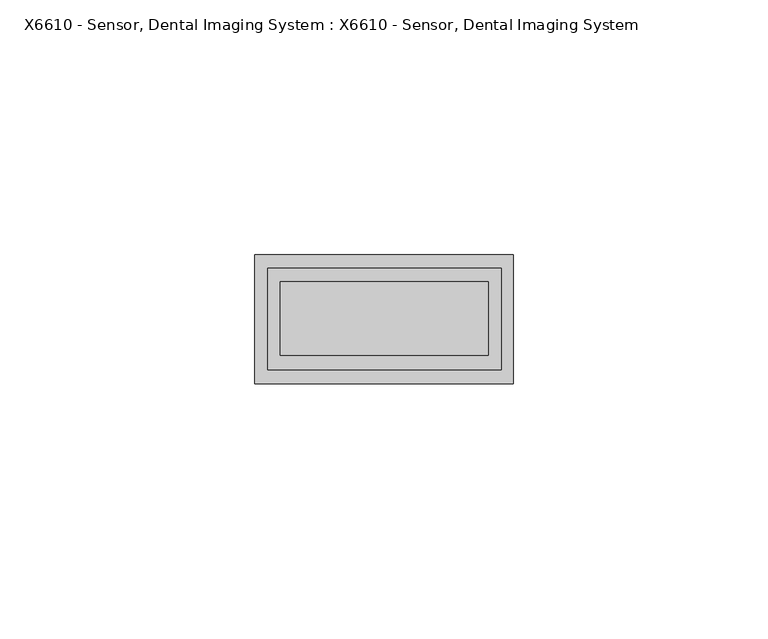
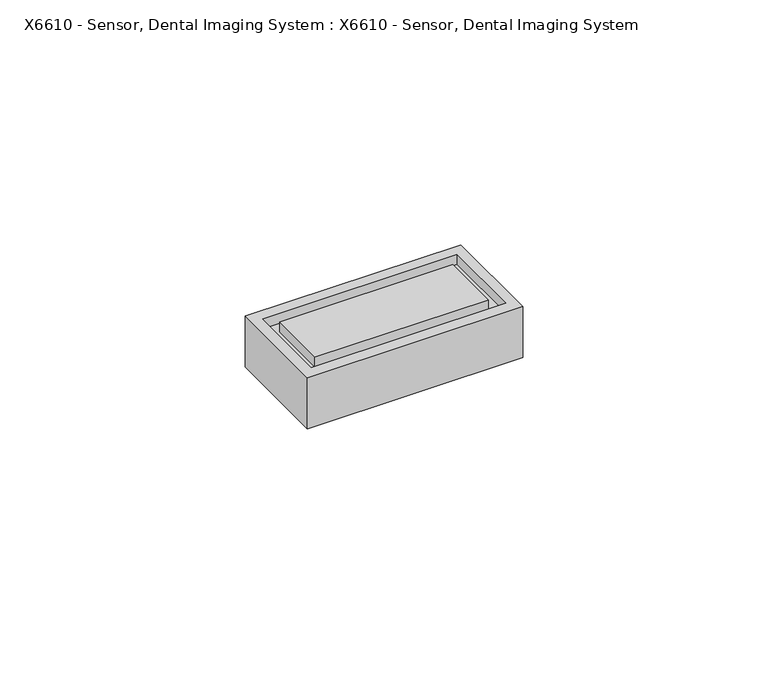
"""IFC4 building model written with IfcOpenShell, lengths in millimetres: proxy geometry, X6610 - Sensor, Dental Imaging System : X6610 - Sensor, Dental Imaging System."""

import ifcopenshell
import ifcopenshell.guid

model = None  # the IFC model being written
_history = None  # IfcOwnerHistory: only IFC2X3 demands one
_inside = {}  # id of a spatial element -> (the spatial element, [elements in it])
_under = {}  # id of a project, library or spatial element -> (it, [spatial elements below it])
_declared = {}  # id of a project -> (the project, [libraries it declares])
_typed = {}  # id of a type object -> (the type object, [elements of that type])
_made_of = {}  # id of a material, layer set ... -> (it, [elements and type objects made of it])


def new_model(schema):
    """Start an empty IFC model of exactly this schema.

    Asked for "IFC4X3", IfcOpenShell would pick the latest addendum, in which some entities
    have other attributes; the version numbers below select the first issue.
    IFC2X3 requires an IfcOwnerHistory on every rooted entity: one is made here for all.
    """
    global model, _history
    if schema == "IFC4X3":
        model = ifcopenshell.file(schema_version=(4, 3, 0, 0))
    else:
        model = ifcopenshell.file(schema=schema)
    _inside.clear()
    _under.clear()
    _declared.clear()
    _typed.clear()
    _made_of.clear()
    _history = None
    if model.schema == "IFC2X3":
        org = make("IfcOrganization", Name="unknown")
        user = make(
            "IfcPersonAndOrganization",
            ThePerson=make("IfcPerson", FamilyName="unknown"),
            TheOrganization=org,
        )
        app = make(
            "IfcApplication",
            ApplicationDeveloper=org,
            Version="unknown",
            ApplicationFullName="unknown",
            ApplicationIdentifier="unknown",
        )
        _history = make(
            "IfcOwnerHistory",
            OwningUser=user,
            OwningApplication=app,
            ChangeAction="ADDED",
            CreationDate=0,
        )
    return model


def make(cls, **values):
    """One entity of the class cls with the attributes given. An attribute that is None is left unset."""
    return model.create_entity(
        cls, **{name: value for name, value in values.items() if value is not None}
    )


def rooted(cls, **values):
    """An entity with a GlobalId (a new one), such as an element, a storey or a relation."""
    return make(cls, GlobalId=ifcopenshell.guid.new(), OwnerHistory=_history, **values)


def si_unit(unit_type, name, prefix=None):
    """IfcSIUnit, for example si_unit("LENGTHUNIT", "METRE", prefix="MILLI")."""
    return make("IfcSIUnit", UnitType=unit_type, Prefix=prefix, Name=name)


def assignment(units):
    """IfcUnitAssignment: the units of a project."""
    return None if units is None else make("IfcUnitAssignment", Units=units)


def point(xyz):
    """IfcCartesianPoint."""
    return None if xyz is None else make("IfcCartesianPoint", Coordinates=xyz)


def direction(xyz):
    """IfcDirection."""
    return None if xyz is None else make("IfcDirection", DirectionRatios=xyz)


def frame(location, z_axis=None, x_axis=None):
    """IfcAxis2Placement3D, a coordinate frame: its origin and axes. An axis left out is left unset."""
    return make(
        "IfcAxis2Placement3D",
        Location=point(location),
        Axis=direction(z_axis),
        RefDirection=direction(x_axis),
    )


def origin():
    """The frame at (0, 0, 0) with its axes left unset."""
    return frame((0.0, 0.0, 0.0))


def place(relative_to, where):
    """IfcLocalPlacement: puts the frame where relative to a parent placement (None: the world)."""
    return make(
        "IfcLocalPlacement", PlacementRelTo=relative_to, RelativePlacement=where
    )


def context(
    kind, dimensions, precision=None, world=None, true_north=None, identifier=None
):
    """IfcGeometricRepresentationContext, for example the 3D "Model" context."""
    return make(
        "IfcGeometricRepresentationContext",
        ContextIdentifier=identifier,
        ContextType=kind,
        CoordinateSpaceDimension=dimensions,
        Precision=precision,
        WorldCoordinateSystem=world,
        TrueNorth=true_north,
    )


def project(units=None, contexts=None):
    """IfcProject with its units and contexts."""
    return rooted(
        "IfcProject",
        Name="project",
        RepresentationContexts=contexts,
        UnitsInContext=assignment(units),
    )


def spatial(cls, under=None, at=None, **own):
    """A site, building, storey or space (cls), placed at a placement, below another one or the project."""
    s = rooted(cls, ObjectPlacement=at, **own)
    if under is not None:
        _under.setdefault(under.id(), (under, []))[1].append(s)
    return s


def polyline(points):
    """IfcPolyline through the points."""
    return make("IfcPolyline", Points=[point(p) for p in points])


def outline(outer, holes=None, kind="AREA"):
    """IfcArbitraryClosedProfileDef: a profile drawn as a closed curve; with holes, ...WithVoids."""
    if holes is None:
        return make("IfcArbitraryClosedProfileDef", ProfileType=kind, OuterCurve=outer)
    return make(
        "IfcArbitraryProfileDefWithVoids",
        ProfileType=kind,
        OuterCurve=outer,
        InnerCurves=holes,
    )


def extrude(swept, where, along, depth):
    """IfcExtrudedAreaSolid: the profile swept, set in the frame where, extruded along a direction by depth."""
    return make(
        "IfcExtrudedAreaSolid",
        SweptArea=swept,
        Position=where,
        ExtrudedDirection=direction(along),
        Depth=depth,
    )


def faces_of(points, faces, orient=None, outer=None):
    """IfcFace entities. A face is a list of loops; a loop is a list of indices into points, from 0.

    orient and outer hold one flag for each loop. By default every Orientation is true, the
    first loop of a face is its IfcFaceOuterBound and the others are IfcFaceBound.
    """
    made = []
    for i, loops in enumerate(faces):
        bounds = []
        for j, loop in enumerate(loops):
            is_outer = j == 0 if outer is None else outer[i][j]
            bounds.append(
                make(
                    "IfcFaceOuterBound" if is_outer else "IfcFaceBound",
                    Bound=make("IfcPolyLoop", Polygon=[points[k] for k in loop]),
                    Orientation=True if orient is None else orient[i][j],
                )
            )
        made.append(make("IfcFace", Bounds=bounds))
    return made


def faceted_brep(points, faces, orient=None, outer=None, voids=None):
    """IfcFacetedBrep: a solid bounded by flat faces; with voids (closed shells), ...WithVoids."""
    shared = [point(p) for p in points]
    hull = make("IfcClosedShell", CfsFaces=faces_of(shared, faces, orient, outer))
    if voids is None:
        return make("IfcFacetedBrep", Outer=hull)
    return make(
        "IfcFacetedBrepWithVoids",
        Outer=hull,
        Voids=[
            make(cls, CfsFaces=faces_of(shared, fs, o, b)) for cls, fs, o, b in voids
        ],
    )


def shape(context_of_items, identifier, shape_type, items):
    """IfcShapeRepresentation: the items that make up one representation, for example the "Body"."""
    return make(
        "IfcShapeRepresentation",
        ContextOfItems=context_of_items,
        RepresentationIdentifier=identifier,
        RepresentationType=shape_type,
        Items=items,
    )


def source(mapping_origin, context_of_items, identifier, shape_type, items):
    """IfcRepresentationMap: a shape defined once, which mapped items show again and again."""
    return make(
        "IfcRepresentationMap",
        MappingOrigin=mapping_origin,
        MappedRepresentation=shape(context_of_items, identifier, shape_type, items),
    )


def transform(
    local_origin,
    x_axis=None,
    y_axis=None,
    z_axis=None,
    scale=None,
    scale2=None,
    scale3=None,
    uniform=True,
):
    """IfcCartesianTransformationOperator3D, or its non-uniform kind. x_axis, y_axis, z_axis: its Axis1, 2, 3."""
    if uniform:
        return make(
            "IfcCartesianTransformationOperator3D",
            Axis1=direction(x_axis),
            Axis2=direction(y_axis),
            LocalOrigin=point(local_origin),
            Scale=scale,
            Axis3=direction(z_axis),
        )
    return make(
        "IfcCartesianTransformationOperator3DnonUniform",
        Axis1=direction(x_axis),
        Axis2=direction(y_axis),
        LocalOrigin=point(local_origin),
        Scale=scale,
        Axis3=direction(z_axis),
        Scale2=scale2,
        Scale3=scale3,
    )


def mapped(mapping_source, mapping_target):
    """IfcMappedItem: shows the shape of a source again, moved by a transform."""
    return make(
        "IfcMappedItem", MappingSource=mapping_source, MappingTarget=mapping_target
    )


def made_of(thing, what):
    """Note that an element or type object is made of a material, layer set ...; save() writes the relation."""
    if what is not None:
        _made_of.setdefault(what.id(), (what, []))[1].append(thing)
    return thing


def element(
    cls,
    number,
    at=None,
    inside=None,
    cuts=None,
    type_object=None,
    material=None,
    context=None,
    identifier="Body",
    shape_type=None,
    held_by="IfcProductDefinitionShape",
    body=None,
    shapes=None,
    **own,
):
    """One element of the class cls, such as IfcWall. Its Tag is "e" and its number.

    at: its placement. inside: the storey or other place that contains it. cuts: it is an
    opening in that element (IfcRelVoidsElement). A single representation is given by context,
    identifier, shape_type and body (its items); several are given by shapes. held_by: the class
    of the entity that holds the representations. save() writes the other relations.
    """
    e = rooted(cls, Tag="e%d" % number, ObjectPlacement=at, **own)
    if body is not None:
        shapes = [shape(context, identifier, shape_type, body)]
    if shapes is not None:
        e.Representation = make(held_by, Representations=shapes)
    if inside is not None:
        _inside.setdefault(inside.id(), (inside, []))[1].append(e)
    if cuts is not None:
        rooted(
            "IfcRelVoidsElement", RelatingBuildingElement=cuts, RelatedOpeningElement=e
        )
    if type_object is not None:
        _typed.setdefault(type_object.id(), (type_object, []))[1].append(e)
    return made_of(e, material)


def aggregate(whole, parts):
    """IfcRelAggregates: a whole, such as a stair, and the parts it consists of."""
    return rooted("IfcRelAggregates", RelatingObject=whole, RelatedObjects=parts)


def save(model, path):
    """Write the relations noted so far, then the file.

    IfcRelAggregates (storeys below a building ...), IfcRelContainedInSpatialStructure (elements
    in a storey), IfcRelDefinesByType, IfcRelAssociatesMaterial and IfcRelDeclares: one each for
    every whole, place, type object, material and project.
    """
    for whole, parts in _under.values():
        aggregate(whole, parts)
    for where, things in _inside.values():
        rooted(
            "IfcRelContainedInSpatialStructure",
            RelatedElements=things,
            RelatingStructure=where,
        )
    for kind, things in _typed.values():
        rooted("IfcRelDefinesByType", RelatedObjects=things, RelatingType=kind)
    for what, things in _made_of.values():
        rooted("IfcRelAssociatesMaterial", RelatedObjects=things, RelatingMaterial=what)
    for by, libraries in _declared.values():
        rooted("IfcRelDeclares", RelatingContext=by, RelatedDefinitions=libraries)
    model.write(path)


def x6610_sensor_dental_imaging_system_x6610_sensor_dental_5278fb40(model_context):
    return source(origin(), model_context, "Body", "SolidModel", [
        extrude(outline(polyline([(20.4811453, -7.060747), (-20.3347495, -7.060747), (-20.3347495, 7.3741427), (20.4811453, 7.3741427), (20.4811453, -7.060747)])), frame((0.0, 0.0, 10.2472794), z_axis=(0.0, 0.0, 1.0), x_axis=(1.0, 0.0, 0.0)), (0.0, 0.0, 1.0), 2.4527206),
        faceted_brep([(25.4, 12.7, 12.7), (25.4, 12.7, 0.0), (-25.4, 12.7, 0.0), (-25.4, 12.7, 12.7), (25.4, -12.7, 12.7), (-25.4, -12.7, 12.7), (-25.4, -12.7, 0.0), (25.4, -12.7, 0.0), (-22.8050147, -9.9039698, 12.7), (-22.8050147, 10.029614, 12.7), (22.9818235, 10.029614, 12.7), (22.9818235, -9.9039698, 12.7), (25.4, 5.9907412, 2.9524929), (25.4, -6.0970829, 2.9524929), (25.4, -6.0970829, 7.2153756), (25.4, 5.9907412, 7.2153756), (22.9818235, -9.9039698, 10.2472794), (22.9818235, 10.029614, 10.2472794), (-22.8050147, 10.029614, 10.2472794), (-22.8050147, -9.9039698, 10.2472794), (17.7337242, 5.9907412, 7.2153756), (17.7337242, -6.0970829, 7.2153756), (17.7337242, -6.0970829, 2.9524929), (17.7337242, 5.9907412, 2.9524929)], [[[0, 1, 2, 3]], [[4, 5, 6, 7]], [[3, 5, 4, 0], [8, 9, 10, 11]], [[2, 6, 5, 3]], [[1, 7, 6, 2]], [[0, 4, 7, 1], [12, 13, 14, 15]], [[16, 17, 18, 19]], [[19, 8, 11, 16]], [[18, 9, 8, 19]], [[17, 10, 9, 18]], [[16, 11, 10, 17]], [[20, 21, 22, 23]], [[23, 12, 15, 20]], [[22, 13, 12, 23]], [[21, 14, 13, 22]], [[20, 15, 14, 21]]]),
        faceted_brep([(-25.4, -12.7, 12.7), (25.4, -12.7, 12.7), (25.4, 12.7, 12.7), (-25.4, 12.7, 12.7), (-25.4, 0.0, 12.7), (-22.8050147, -9.9039698, 12.7), (-22.8050147, 10.029614, 12.7), (22.9818235, 10.029614, 12.7), (22.9818235, -9.9039698, 12.7), (-25.4, -12.7, 0.0), (-25.4, 0.0, 0.0), (-25.4, 12.7, 0.0), (25.4, 12.7, 0.0), (25.4, -12.7, 0.0), (25.4, 5.9907412, 2.9524929), (25.4, -6.0970829, 2.9524929), (25.4, -6.0970829, 7.2153756), (25.4, 5.9907412, 7.2153756), (22.9818235, -9.9039698, 10.2472794), (22.9818235, 10.029614, 10.2472794), (-22.8050147, 10.029614, 10.2472794), (-22.8050147, -9.9039698, 10.2472794), (17.7337242, 5.9907412, 7.2153756), (17.7337242, -6.0970829, 7.2153756), (17.7337242, -6.0970829, 2.9524929), (17.7337242, 5.9907412, 2.9524929)], [[[0, 1, 2, 3, 4], [5, 6, 7, 8]], [[9, 10, 11, 12, 13]], [[4, 10, 9, 0]], [[3, 11, 10, 4]], [[2, 12, 11, 3]], [[1, 13, 12, 2], [14, 15, 16, 17]], [[0, 9, 13, 1]], [[18, 19, 20, 21]], [[21, 5, 8, 18]], [[20, 6, 5, 21]], [[19, 7, 6, 20]], [[18, 8, 7, 19]], [[22, 23, 24, 25]], [[25, 14, 17, 22]], [[24, 15, 14, 25]], [[23, 16, 15, 24]], [[22, 17, 16, 23]]]),
    ])


if __name__ == "__main__":
    model = new_model("IFC4")
    model_context = context("Model", 3, world=origin())
    ifc_project = project(units=[si_unit("LENGTHUNIT", "METRE", prefix="MILLI")], contexts=[model_context])
    site = spatial("IfcSite", under=ifc_project)
    building = spatial("IfcBuilding", under=site)
    placement = place(None, origin())
    x6610_sensor_dental_imaging_system_x6610_sensor_dental_shape = x6610_sensor_dental_imaging_system_x6610_sensor_dental_5278fb40(model_context)
    element("IfcBuildingElementProxy", 1, Name="X6610 - Sensor, Dental Imaging System : X6610 - Sensor, Dental Imaging System", ObjectType="X6610 - Sensor, Dental Imaging System : X6610 - Sensor, Dental Imaging System", at=placement, inside=building, context=model_context, shape_type="MappedRepresentation", body=[
        mapped(x6610_sensor_dental_imaging_system_x6610_sensor_dental_shape, transform((0.0, 0.0, 0.0), x_axis=(1.0, 0.0, 0.0), y_axis=(0.0, 1.0, 0.0), z_axis=(0.0, 0.0, 1.0))),
    ])
    save(model, "model.ifc")
